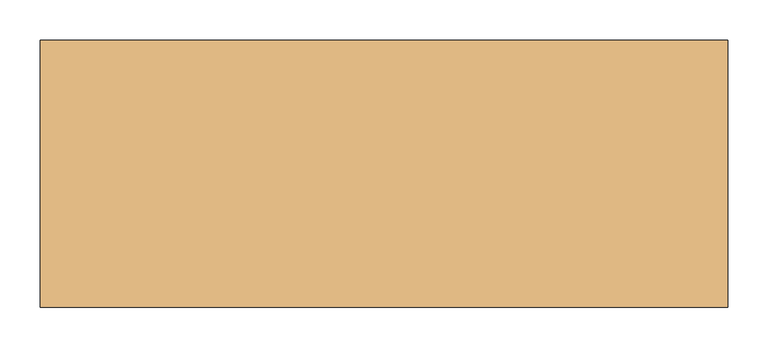
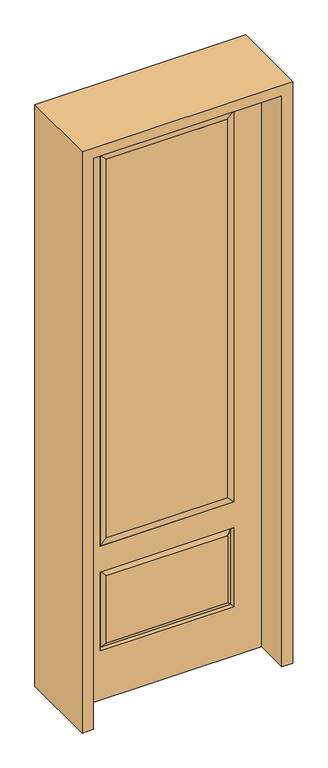
"""IFC4 building model written with IfcOpenShell, lengths in millimetres: door geometry."""

from ifc_helpers import new_model, si_unit, frame, origin, place, context, project, spatial, polyline, outline, extrude, faceted_brep, source, transform, mapped, element, save


def door_4ed28f9c(model_context):
    return source(origin(), model_context, "Body", "SolidModel", [
        extrude(outline(polyline([(244.475, -20.32), (-244.475, -20.32), (-244.475, 5.08), (244.475, 5.08), (244.475, -20.32)])), frame((0.0, 0.0, 682.498), z_axis=(0.0, 0.0, 1.0), x_axis=(1.0, 0.0, 0.0)), (0.0, 0.0, 1.0), 1616.202),
        faceted_brep([(-262.7661499, -12.7912373, 216.6588501), (262.7661499, -12.7912373, 216.6588501), (245.26875, -22.225, 234.15625), (-245.26875, -22.225, 234.15625), (-269.875, -22.225, 209.55), (269.875, -22.225, 209.55), (-262.7661499, -12.7912373, 538.9911499), (-269.875, -22.225, 546.1), (245.26875, -22.225, 521.49375), (-245.26875, -22.225, 521.49375), (381.0, -22.225, 2438.4), (-381.0, -22.225, 2438.4), (-381.0, -22.225, 0.0), (381.0, -22.225, 0.0), (269.875, -22.225, 546.1), (269.875, -22.225, 2324.1), (269.875, -22.225, 657.098), (-269.875, -22.225, 657.098), (-269.875, -22.225, 2324.1), (262.7661499, -12.7912373, 538.9911499), (-381.0, 22.225, 2438.4), (-381.0, 22.225, 0.0), (381.0, 22.225, 0.0), (381.0, 22.225, 2438.4), (269.875, 22.225, 2324.1), (269.875, 22.225, 657.098), (-269.875, 22.225, 657.098), (-269.875, 22.225, 2324.1), (-269.875, 22.225, 209.55), (269.875, 22.225, 209.55), (269.875, 22.225, 546.1), (-269.875, 22.225, 546.1), (245.26875, 22.225, 234.15625), (-245.26875, 22.225, 234.15625), (-245.26875, 22.225, 521.49375), (245.26875, 22.225, 521.49375), (-262.7661499, 12.7912373, 216.6588501), (262.7661499, 12.7912373, 216.6588501), (262.7661499, 12.7912373, 538.9911499), (-262.7661499, 12.7912373, 538.9911499)], [[[0, 1, 2, 3]], [[1, 0, 4, 5]], [[4, 0, 6, 7]], [[3, 2, 8, 9]], [[10, 11, 12, 13], [5, 4, 7, 14], [15, 16, 17, 18]], [[1, 5, 14, 19]], [[2, 1, 19, 8]], [[0, 3, 9, 6]], [[7, 6, 19, 14]], [[6, 9, 8, 19]], [[12, 11, 20, 21]], [[13, 12, 21, 22]], [[10, 13, 22, 23]], [[16, 15, 24, 25]], [[17, 16, 25, 26]], [[18, 17, 26, 27]], [[23, 22, 21, 20], [28, 29, 30, 31], [24, 27, 26, 25]], [[32, 33, 34, 35]], [[28, 36, 37, 29]], [[29, 37, 38, 30]], [[39, 31, 30, 38]], [[36, 28, 31, 39]], [[37, 36, 33, 32]], [[33, 36, 39, 34]], [[34, 39, 38, 35]], [[37, 32, 35, 38]], [[11, 10, 23, 20]], [[15, 18, 27, 24]]]),
        faceted_brep([(-269.875, -22.225, 2324.1), (-269.875, 22.225, 2324.1), (-269.875, 22.225, 657.098), (-269.875, -22.225, 657.098), (269.875, 22.225, 657.098), (269.875, -22.225, 657.098), (-244.475, 5.08, 682.498), (244.475, 5.08, 682.498), (269.875, 22.225, 2324.1), (269.875, -22.225, 2324.1), (-244.475, -20.32, 682.498), (244.475, -20.32, 682.498), (-244.475, -20.32, 2298.7), (244.475, -20.32, 2298.7), (-244.475, 5.08, 2298.7), (244.475, 5.08, 2298.7)], [[[0, 1, 2, 3]], [[3, 2, 4, 5]], [[2, 6, 7, 4]], [[5, 4, 8, 9]], [[10, 3, 5, 11]], [[12, 0, 3, 10]], [[11, 5, 9, 13]], [[6, 10, 11, 7]], [[14, 12, 10, 6]], [[7, 11, 13, 15]], [[1, 14, 6, 2]], [[4, 7, 15, 8]], [[9, 8, 1, 0]], [[13, 9, 0, 12]], [[15, 13, 12, 14]], [[8, 15, 14, 1]]]),
        extrude(outline(polyline([(2482.85, -425.45), (0.0, -425.45), (0.0, -381.0), (2438.4, -381.0), (2438.4, 381.0), (0.0, 381.0), (0.0, 425.45), (2482.85, 425.45), (2482.85, -425.45)])), frame((0.0, -165.1, 0.0), z_axis=(0.0, 1.0, 0.0), x_axis=(0.0, 0.0, 1.0)), (0.0, 0.0, 1.0), 330.2),
    ])


if __name__ == "__main__":
    model = new_model("IFC4")
    model_context = context("Model", 3, world=origin())
    ifc_project = project(units=[si_unit("LENGTHUNIT", "METRE", prefix="MILLI")], contexts=[model_context])
    site = spatial("IfcSite", under=ifc_project)
    building = spatial("IfcBuilding", under=site)
    placement = place(None, origin())
    door_shape = door_4ed28f9c(model_context)
    element("IfcDoor", 1, at=placement, inside=building, context=model_context, shape_type="MappedRepresentation", body=[
        mapped(door_shape, transform((0.0, 0.0, 0.0), x_axis=(1.0, 0.0, 0.0), y_axis=(0.0, 1.0, 0.0), z_axis=(0.0, 0.0, 1.0))),
    ])
    save(model, "model.ifc")
